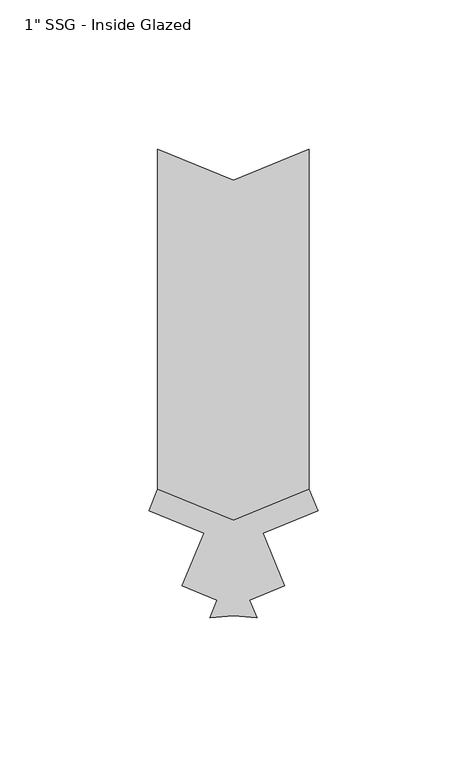
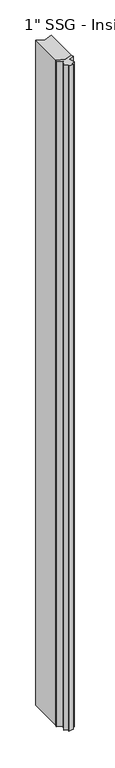
"""IFC4 building model written with IfcOpenShell, lengths in millimetres: proxy geometry."""

from ifc_helpers import new_model, si_unit, point, frame, frame_2d, origin, place, context, project, spatial, polyline, circle_curve, trimmed, segment, composite_curve, outline, extrude, source, transform, mapped, element, save


def proxy_1902d9d7(model_context):
    return source(origin(), model_context, "Body", "SweptSolid", [
        extrude(outline(composite_curve([segment(polyline([(-9.9379572, 31.5709034), (-28.4037877, 39.2197009), (-25.4006155, 46.47), (-0.0006155, 35.9489755), (25.3993845, 46.47), (28.3981518, 39.2303353), (9.9112432, 31.572807), (17.1905101, 13.9991022), (5.45724, 9.1390227), (7.8872798, 3.2723876)]), True, "CONTINUOUS"), segment(trimmed(circle_curve(frame_2d((-0.0129627, -39.2797934)), 43.2793478), [point((7.8872798, 3.2723876))], [point((-7.9132053, 3.2723876))], True, "CARTESIAN"), True, "CONTINUOUS"), segment(polyline([(-7.9132053, 3.2723876), (-5.5052114, 9.0857993), (-17.2384814, 13.9458789), (-9.9379572, 31.5709034)]), True, "CONTINUOUS")], self_intersect=False)), frame((0.0, 0.0, 63.5), z_axis=(0.0, 0.0, 1.0), x_axis=(1.0, 0.0, 0.0)), (0.0, 0.0, 1.0), 2317.75),
        extrude(outline(polyline([(-25.4006155, 46.47), (-25.4006155, 160.5649618), (-0.0006155, 150.0439373), (25.3993845, 160.5649618), (25.3993845, 46.47), (-0.0006155, 35.9489755), (-25.4006155, 46.47)])), frame((0.0, 0.0, 63.5), z_axis=(0.0, 0.0, 1.0), x_axis=(1.0, 0.0, 0.0)), (0.0, 0.0, 1.0), 2317.75),
    ])


if __name__ == "__main__":
    model = new_model("IFC4")
    model_context = context("Model", 3, world=origin())
    ifc_project = project(units=[si_unit("LENGTHUNIT", "METRE", prefix="MILLI")], contexts=[model_context])
    site = spatial("IfcSite", under=ifc_project)
    building = spatial("IfcBuilding", under=site)
    placement = place(None, origin())
    proxy_shape = proxy_1902d9d7(model_context)
    element("IfcBuildingElementProxy", 1, Name="1\" SSG - Inside Glazed", ObjectType="1\" SSG - Inside Glazed", at=placement, inside=building, context=model_context, shape_type="MappedRepresentation", body=[
        mapped(proxy_shape, transform((0.0, 0.0, 0.0), x_axis=(1.0, 0.0, 0.0), y_axis=(0.0, 1.0, 0.0), z_axis=(0.0, 0.0, 1.0))),
    ])
    save(model, "model.ifc")
